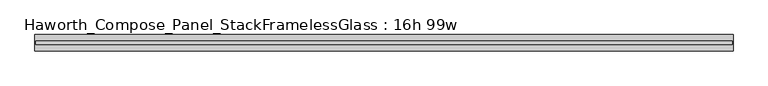
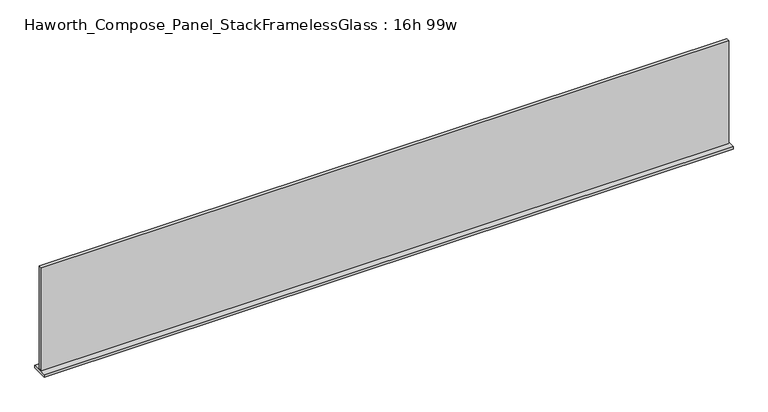
"""IFC4 building model written with IfcOpenShell, lengths in millimetres: furniture geometry, Haworth_Compose_Panel_StackFramelessGlass : 16h 99w."""

from ifc_helpers import new_model, si_unit, frame, origin, place, context, project, spatial, polyline, outline, extrude, source, transform, mapped, element, save


def haworth_compose_panel_stackframelessglass_16h_99w_447b361d(model_context):
    return source(origin(), model_context, "Body", "SweptSolid", [
        extrude(outline(polyline([(1256.5652902, -27.3093594), (-1251.6847098, -27.3093594), (-1251.6847098, -14.6093594), (1256.5652902, -14.6093594), (1256.5652902, -27.3093594)])), frame((0.0, 0.0, 1279.525), z_axis=(0.0, 0.0, 1.0), x_axis=(1.0, 0.0, 0.0)), (0.0, 0.0, 1.0), 396.875),
        extrude(outline(polyline([(-1254.8597098, -50.3281094), (-1254.8597098, 8.4093906), (1259.7402902, 8.4093906), (1259.7402902, -50.3281094), (-1254.8597098, -50.3281094)])), frame((0.0, 0.0, 1270.0), z_axis=(0.0, 0.0, 1.0), x_axis=(1.0, 0.0, 0.0)), (0.0, 0.0, 1.0), 9.525),
    ])


if __name__ == "__main__":
    model = new_model("IFC4")
    model_context = context("Model", 3, world=origin())
    ifc_project = project(units=[si_unit("LENGTHUNIT", "METRE", prefix="MILLI")], contexts=[model_context])
    site = spatial("IfcSite", under=ifc_project)
    building = spatial("IfcBuilding", under=site)
    placement = place(None, origin())
    haworth_compose_panel_stackframelessglass_16h_99w_shape = haworth_compose_panel_stackframelessglass_16h_99w_447b361d(model_context)
    element("IfcFurniture", 1, ObjectType="Haworth_Compose_Panel_StackFramelessGlass : 16h 99w", at=placement, inside=building, context=model_context, shape_type="MappedRepresentation", body=[
        mapped(haworth_compose_panel_stackframelessglass_16h_99w_shape, transform((0.0, 0.0, 0.0), x_axis=(1.0, 0.0, 0.0), y_axis=(0.0, 1.0, 0.0), z_axis=(0.0, 0.0, 1.0))),
    ])
    save(model, "model.ifc")
